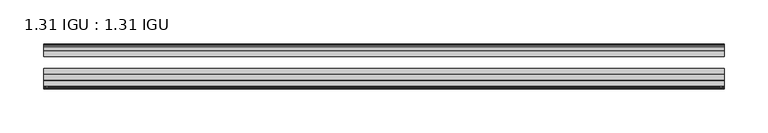
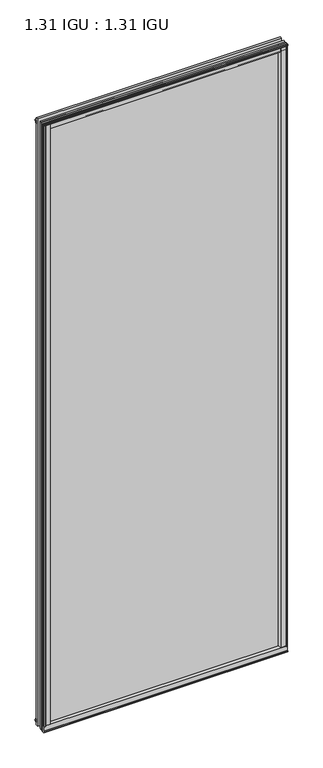
"""IFC4 building model written with IfcOpenShell, lengths in millimetres: plate geometry, 1.31 IGU : 1.31 IGU."""

from ifc_helpers import new_model, si_unit, point, frame, frame_2d, origin, origin_with_axes, place, context, project, spatial, polyline, circle_curve, trimmed, segment, composite_curve, outline, extrude, source, transform, mapped, element, save


def plate_1_31_igu_1_31_igu_8be64ed5(model_context):
    return source(origin(), model_context, "Body", "SweptSolid", [
        extrude(outline(composite_curve([segment(polyline([(381.771726, -57.6333938), (365.5869791, -57.6333938)]), True, "CONTINUOUS"), segment(trimmed(circle_curve(frame_2d((358.2922499, -57.6547678)), 7.2947605), [point((365.5869791, -57.6333938))], [point((361.8445905, -51.2833938))], True, "CARTESIAN"), True, "CONTINUOUS"), segment(polyline([(361.8445905, -51.2833938), (384.7150114, -51.2833938)]), True, "CONTINUOUS"), segment(trimmed(circle_curve(frame_2d((384.7150114, -52.0707938)), 0.7874), [point((384.7150114, -51.2833938))], [point((385.4965422, -51.9748338))], False, "CARTESIAN"), True, "CONTINUOUS"), segment(polyline([(385.4965422, -51.9748338), (386.191326, -57.6333938), (384.260926, -57.6333938), (383.803726, -59.624458), (384.8050879, -59.3561439), (385.048326, -60.263921), (383.016326, -60.8083938), (380.984326, -60.263921), (381.2275641, -59.3561439), (382.228926, -59.624458), (381.771726, -57.6333938)]), True, "CONTINUOUS")], self_intersect=False)), origin_with_axes(), (0.0, 0.0, 1.0), 2012.95),
        extrude(outline(composite_curve([segment(polyline([(-365.8846354, -57.6333937), (-382.0693823, -57.6333937), (-382.5265823, -59.624458), (-381.5252204, -59.3561439), (-381.2819823, -60.263921), (-383.3139823, -60.8083937), (-385.3459823, -60.263921), (-385.1027441, -59.3561439), (-384.1013823, -59.624458), (-384.5585823, -57.6333937), (-386.4889823, -57.6333937), (-385.7941985, -51.9748338)]), True, "CONTINUOUS"), segment(trimmed(circle_curve(frame_2d((-385.0126676, -52.0707937)), 0.7874), [point((-385.7941985, -51.9748338))], [point((-385.0126676, -51.2833937))], False, "CARTESIAN"), True, "CONTINUOUS"), segment(polyline([(-385.0126676, -51.2833937), (-362.1422467, -51.2833937)]), True, "CONTINUOUS"), segment(trimmed(circle_curve(frame_2d((-358.5899062, -57.6547678)), 7.2947605), [point((-362.1422467, -51.2833937))], [point((-365.8846354, -57.6333937))], True, "CARTESIAN"), True, "CONTINUOUS")], self_intersect=False)), origin_with_axes(), (0.0, 0.0, 1.0), 2012.95),
        extrude(outline(polyline([(-9.7543937, -6.8579998), (-10.4009552, -9.2709998), (-11.2596632, -9.0409097), (-10.8839895, -7.6388763), (-13.1833937, -8.3819998), (-13.1833937, -11.7850089), (-17.9585937, -10.1533914), (-17.9585937, 0.6595133), (-13.1833937, -0.5079998), (-13.1833937, -5.4609998), (-10.8839895, -6.0771233), (-11.2596632, -4.6750899), (-10.4009552, -4.4449998), (-9.7543937, -6.8579998)])), frame((-386.5221354, 0.0, 0.0), z_axis=(1.0, 0.0, 0.0), x_axis=(0.0, 1.0, 0.0)), (0.0, 0.0, 1.0), 772.7466145),
        extrude(outline(composite_curve([segment(polyline([(-51.9748338, -19.930016), (-57.6333937, -20.6247998), (-57.6333937, -18.6943998), (-59.624458, -18.2371998), (-59.3561439, -19.2385617), (-60.263921, -19.4817998), (-60.8083937, -17.4497998), (-60.263921, -15.4177998), (-59.3561439, -15.6610379), (-59.624458, -16.6623998), (-57.6333937, -16.2051998), (-57.6333937, 0.0127002)]), True, "CONTINUOUS"), segment(trimmed(circle_curve(frame_2d((-58.1588233, 7.9620141)), 7.9666598), [point((-57.6333937, 0.0127002))], [point((-51.2833937, 3.9375717))], True, "CARTESIAN"), True, "CONTINUOUS"), segment(polyline([(-51.2833937, 3.9375717), (-51.2833937, -19.1484852)]), True, "CONTINUOUS"), segment(trimmed(circle_curve(frame_2d((-52.0707937, -19.1484852)), 0.7874), [point((-51.2833937, -19.1484852))], [point((-51.9748338, -19.930016))], False, "CARTESIAN"), True, "CONTINUOUS")], self_intersect=False)), frame((-386.5221354, 0.0, 0.0), z_axis=(1.0, 0.0, 0.0), x_axis=(0.0, 1.0, 0.0)), (0.0, 0.0, 1.0), 772.7466145),
        extrude(outline(polyline([(-17.9585937, 2004.0533914), (-13.1833937, 2005.6850089), (-13.1833937, 2002.2819998), (-10.8839895, 2001.5388763), (-11.2596632, 2002.9409097), (-10.4009552, 2003.1709998), (-9.7543937, 2000.7579998), (-10.4009552, 1998.3449998), (-11.2596632, 1998.5750899), (-10.8839895, 1999.9771233), (-13.1833937, 1999.3609998), (-13.1833937, 1994.4079998), (-17.9585937, 1993.2404867), (-17.9585937, 2004.0533914)])), frame((-386.5221354, 0.0, 0.0), z_axis=(1.0, 0.0, 0.0), x_axis=(0.0, 1.0, 0.0)), (0.0, 0.0, 1.0), 772.7466145),
        extrude(outline(composite_curve([segment(trimmed(circle_curve(frame_2d((-52.0707937, 2013.0484852)), 0.7874), [point((-51.9748338, 2013.830016))], [point((-51.2833937, 2013.0484852))], False, "CARTESIAN"), True, "CONTINUOUS"), segment(polyline([(-51.2833937, 2013.0484852), (-51.2833937, 1989.9624283)]), True, "CONTINUOUS"), segment(trimmed(circle_curve(frame_2d((-58.1588233, 1985.9379859)), 7.9666598), [point((-51.2833937, 1989.9624283))], [point((-57.6333937, 1993.8872998))], True, "CARTESIAN"), True, "CONTINUOUS"), segment(polyline([(-57.6333937, 1993.8872998), (-57.6333937, 2010.1051998), (-59.624458, 2010.5623998), (-59.3561439, 2009.5610379), (-60.263921, 2009.3177998), (-60.8083937, 2011.3497998), (-60.263921, 2013.3817998), (-59.3561439, 2013.1385617), (-59.624458, 2012.1371998), (-57.6333937, 2012.5943998), (-57.6333937, 2014.5247998), (-51.9748338, 2013.830016)]), True, "CONTINUOUS")], self_intersect=False)), frame((-386.5221354, 0.0, 0.0), z_axis=(1.0, 0.0, 0.0), x_axis=(0.0, 1.0, 0.0)), (0.0, 0.0, 1.0), 772.7466145),
        extrude(outline(polyline([(-375.1110116, -10.8839895), (-376.513045, -11.2596632), (-376.7431352, -10.4009552), (-374.3301352, -9.7543937), (-371.9171352, -10.4009552), (-372.1472253, -11.2596632), (-373.5492587, -10.8839895), (-372.9331352, -13.1833937), (-367.9801352, -13.1833937), (-366.812622, -17.9585937), (-377.6255268, -17.9585937), (-379.2571443, -13.1833937), (-375.8541352, -13.1833937), (-375.1110116, -10.8839895)])), origin_with_axes(), (0.0, 0.0, 1.0), 1993.9),
        extrude(outline(polyline([(375.1237118, -10.8839895), (375.8668354, -13.1833937), (379.2698445, -13.1833937), (377.638227, -17.9585937), (366.8253223, -17.9585937), (367.9928354, -13.1833937), (372.9458354, -13.1833937), (373.5619589, -10.8839895), (372.1599255, -11.2596632), (371.9298354, -10.4009552), (374.3428354, -9.7543937), (376.7558354, -10.4009552), (376.5257452, -11.2596632), (375.1237118, -10.8839895)])), origin_with_axes(), (0.0, 0.0, 1.0), 1993.9),
        extrude(outline(polyline([(386.2244791, -17.9585937), (386.2244791, -24.3085937), (-386.5221354, -24.3085937), (-386.5221354, -17.9585937), (386.2244791, -17.9585937)])), frame((0.0, 0.0, -19.0372998), z_axis=(0.0, 0.0, 1.0), x_axis=(1.0, 0.0, 0.0)), (0.0, 0.0, 1.0), 2031.9872998),
        extrude(outline(polyline([(-386.5221354, -44.1459937), (-386.5221354, -37.7959937), (386.2244791, -37.7959937), (386.2244791, -44.1459937), (-386.5221354, -44.1459937)])), frame((0.0, 0.0, -19.0372998), z_axis=(0.0, 0.0, 1.0), x_axis=(1.0, 0.0, 0.0)), (0.0, 0.0, 1.0), 2031.9872998),
        extrude(outline(polyline([(-386.5221354, -51.2833937), (-386.5221354, -44.9333937), (386.2244791, -44.9333937), (386.2244791, -51.2833937), (-386.5221354, -51.2833937)])), frame((0.0, 0.0, -19.0372998), z_axis=(0.0, 0.0, 1.0), x_axis=(1.0, 0.0, 0.0)), (0.0, 0.0, 1.0), 2031.9872998),
    ])


if __name__ == "__main__":
    model = new_model("IFC4")
    model_context = context("Model", 3, world=origin())
    ifc_project = project(units=[si_unit("LENGTHUNIT", "METRE", prefix="MILLI")], contexts=[model_context])
    site = spatial("IfcSite", under=ifc_project)
    building = spatial("IfcBuilding", under=site)
    placement = place(None, origin())
    plate_1_31_igu_1_31_igu_shape = plate_1_31_igu_1_31_igu_8be64ed5(model_context)
    element("IfcPlate", 1, ObjectType="1.31 IGU : 1.31 IGU", at=placement, inside=building, context=model_context, shape_type="MappedRepresentation", body=[
        mapped(plate_1_31_igu_1_31_igu_shape, transform((0.0, 0.0, 0.0), x_axis=(1.0, 0.0, 0.0), y_axis=(0.0, 1.0, 0.0), z_axis=(0.0, 0.0, 1.0))),
    ])
    save(model, "model.ifc")
